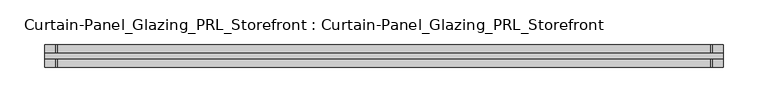
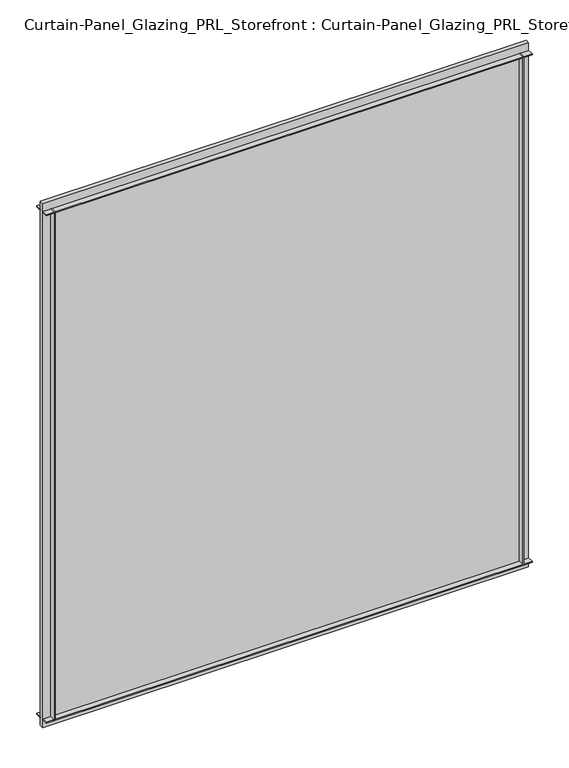
"""IFC4 building model written with IfcOpenShell, lengths in millimetres: plate geometry, Curtain-Panel_Glazing_PRL_Storefront : Curtain-Panel_Glazing_PRL_Storefront."""

from ifc_helpers import new_model, si_unit, frame, origin, origin_with_axes, place, context, project, spatial, polyline, outline, extrude, source, transform, mapped, element, save


def curtain_panel_glazing_prl_storefront_curtain_panel_glazing_e31d8440(model_context):
    return source(origin(), model_context, "Body", "SweptSolid", [
        extrude(outline(polyline([(386.8208333, -12.7), (385.2333333, -12.7), (385.2333333, -3.175), (386.8208333, -3.175), (386.8208333, -12.7)])), frame((0.0, 0.0, 12.7), z_axis=(0.0, 0.0, 1.0), x_axis=(1.0, 0.0, 0.0)), (0.0, 0.0, 1.0), 841.375),
        extrude(outline(polyline([(386.8208333, 12.7), (386.8208333, 3.175), (385.2333333, 3.175), (385.2333333, 12.7), (386.8208333, 12.7)])), frame((0.0, 0.0, 12.7), z_axis=(0.0, 0.0, 1.0), x_axis=(1.0, 0.0, 0.0)), (0.0, 0.0, 1.0), 841.375),
        extrude(outline(polyline([(-348.7208333, -12.7), (-348.7208333, -3.175), (-347.1333333, -3.175), (-347.1333333, -12.7), (-348.7208333, -12.7)])), frame((0.0, 0.0, 12.7), z_axis=(0.0, 0.0, 1.0), x_axis=(1.0, 0.0, 0.0)), (0.0, 0.0, 1.0), 841.375),
        extrude(outline(polyline([(-348.7208333, 12.7), (-347.1333333, 12.7), (-347.1333333, 3.175), (-348.7208333, 3.175), (-348.7208333, 12.7)])), frame((0.0, 0.0, 12.7), z_axis=(0.0, 0.0, 1.0), x_axis=(1.0, 0.0, 0.0)), (0.0, 0.0, 1.0), 841.375),
        extrude(outline(polyline([(399.5208333, 3.175), (399.5208333, -3.175), (-361.4208333, -3.175), (-361.4208333, 3.175), (399.5208333, 3.175)])), origin_with_axes(), (0.0, 0.0, 1.0), 866.775),
        extrude(outline(polyline([(-361.4208333, -12.7), (-361.4208333, -3.175), (399.5208333, -3.175), (399.5208333, -12.7), (-361.4208333, -12.7)])), frame((0.0, 0.0, 852.4875), z_axis=(0.0, 0.0, 1.0), x_axis=(1.0, 0.0, 0.0)), (0.0, 0.0, 1.0), 1.5875),
        extrude(outline(polyline([(-361.4208333, 12.7), (399.5208333, 12.7), (399.5208333, 3.175), (-361.4208333, 3.175), (-361.4208333, 12.7)])), frame((0.0, 0.0, 852.4875), z_axis=(0.0, 0.0, 1.0), x_axis=(1.0, 0.0, 0.0)), (0.0, 0.0, 1.0), 1.5875),
        extrude(outline(polyline([(-361.4208333, -12.7), (-361.4208333, -3.175), (399.5208333, -3.175), (399.5208333, -12.7), (-361.4208333, -12.7)])), frame((0.0, 0.0, 12.7), z_axis=(0.0, 0.0, 1.0), x_axis=(1.0, 0.0, 0.0)), (0.0, 0.0, 1.0), 1.5875),
        extrude(outline(polyline([(-361.4208333, 12.7), (399.5208333, 12.7), (399.5208333, 3.175), (-361.4208333, 3.175), (-361.4208333, 12.7)])), frame((0.0, 0.0, 12.7), z_axis=(0.0, 0.0, 1.0), x_axis=(1.0, 0.0, 0.0)), (0.0, 0.0, 1.0), 1.5875),
    ])


if __name__ == "__main__":
    model = new_model("IFC4")
    model_context = context("Model", 3, world=origin())
    ifc_project = project(units=[si_unit("LENGTHUNIT", "METRE", prefix="MILLI")], contexts=[model_context])
    site = spatial("IfcSite", under=ifc_project)
    building = spatial("IfcBuilding", under=site)
    placement = place(None, origin())
    curtain_panel_glazing_prl_storefront_curtain_panel_glazing_shape = curtain_panel_glazing_prl_storefront_curtain_panel_glazing_e31d8440(model_context)
    element("IfcPlate", 1, ObjectType="Curtain-Panel_Glazing_PRL_Storefront : Curtain-Panel_Glazing_PRL_Storefront", at=placement, inside=building, context=model_context, shape_type="MappedRepresentation", body=[
        mapped(curtain_panel_glazing_prl_storefront_curtain_panel_glazing_shape, transform((0.0, 0.0, 0.0), x_axis=(1.0, 0.0, 0.0), y_axis=(0.0, 1.0, 0.0), z_axis=(0.0, 0.0, 1.0))),
    ])
    save(model, "model.ifc")
